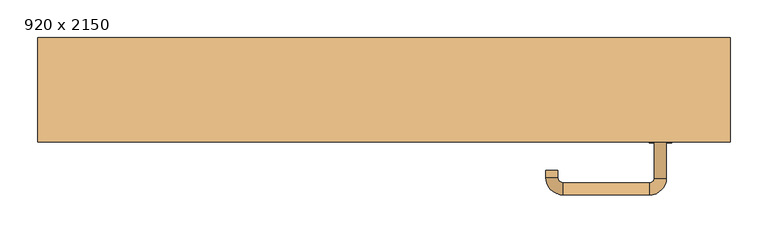
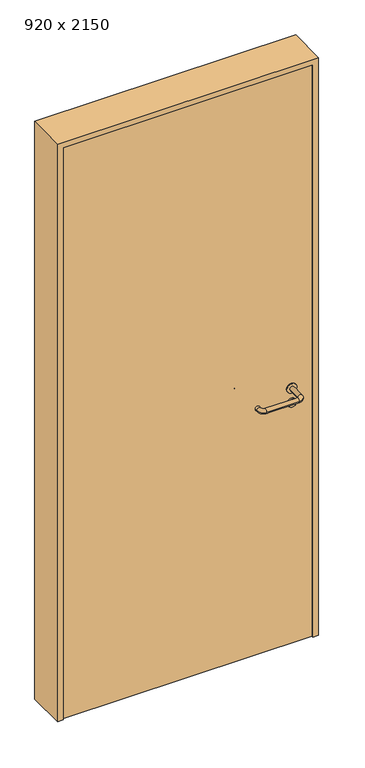
"""IFC4 building model written with IfcOpenShell, lengths in millimetres: door geometry, 920 x 2150."""

from ifc_helpers import new_model, si_unit, point, frame, frame_2d, origin, origin_with_axes, place, context, project, spatial, polyline, circle_curve, ellipse_curve, trimmed, segment, composite_curve, outline, extrude, source, transform, mapped, element, save
from ifc_brep_helpers import plane_surface, cylinder_surface, revolved_surface, advanced_brep


def door_920_x_2150_955b8561(model_context):
    return source(origin(), model_context, "Body", "SolidModel", [
        extrude(outline(composite_curve([segment(trimmed(circle_curve(frame_2d((897.3605726, 367.0)), 15.0), [point((897.3605726, 382.0))], [point((897.3605726, 352.0))], False, "CARTESIAN"), True, "CONTINUOUS"), segment(trimmed(circle_curve(frame_2d((897.3605726, 367.0)), 15.0), [point((897.3605726, 352.0))], [point((897.3605726, 382.0))], False, "CARTESIAN"), True, "CONTINUOUS")], self_intersect=False), holes=[composite_curve([segment(trimmed(circle_curve(frame_2d((892.5833211, 366.9398032)), 2.0), [point((892.5833211, 368.9398032))], [point((892.5833211, 364.9398032))], True, "CARTESIAN"), True, "CONTINUOUS"), segment(polyline([(892.5833211, 364.9398032), (902.5833211, 364.9398032)]), True, "CONTINUOUS"), segment(trimmed(circle_curve(frame_2d((902.5833211, 366.9398032)), 2.0), [point((902.5833211, 364.9398032))], [point((902.5833211, 368.9398032))], True, "CARTESIAN"), True, "CONTINUOUS"), segment(polyline([(902.5833211, 368.9398032), (892.5833211, 368.9398032)]), True, "CONTINUOUS")], self_intersect=False)]), frame((0.0, -35.0, 0.0), z_axis=(0.0, 1.0, 0.0), x_axis=(0.0, 0.0, 1.0)), (0.0, 0.0, 1.0), 6.35),
        extrude(outline(composite_curve([segment(trimmed(circle_curve(frame_2d((950.0, 367.0)), 17.526), [point((950.0, 384.526))], [point((950.0, 349.474))], False, "CARTESIAN"), True, "CONTINUOUS"), segment(trimmed(circle_curve(frame_2d((950.0, 367.0)), 17.526), [point((950.0, 349.474))], [point((950.0, 384.526))], False, "CARTESIAN"), True, "CONTINUOUS")], self_intersect=False)), frame((0.0, -35.0, 0.0), z_axis=(0.0, 1.0, 0.0), x_axis=(0.0, 0.0, 1.0)), (0.0, 0.0, 1.0), 3.175),
        advanced_brep(
        [(375.0, -35.0, 950.0), (359.0, -35.0, 950.0), (375.0, 18.0, 950.0), (359.0, 18.0, 950.0), (352.8578644, 24.1421356, 950.0), (352.8578644, 40.1421356, 950.0), (237.8578644, 40.1421356, 950.0), (237.8578644, 24.1421356, 950.0), (231.008622, 17.2928932, 950.0), (215.008622, 17.2928932, 950.0), (215.008622, 7.2928932, 950.0), (231.008622, 7.2928932, 950.0)],
        [
            (0, 1, circle_curve(frame((367.0, -35.0, 950.0), z_axis=(0.0, -1.0, 0.0), x_axis=(-1.0, 0.0, 0.0)), 8.0)),
            (1, 0, circle_curve(frame((367.0, -35.0, 950.0), z_axis=(0.0, -1.0, 0.0), x_axis=(-1.0, 0.0, 0.0)), 8.0)),
            (0, 2),
            (2, 3, circle_curve(frame((367.0, 18.0, 950.0), z_axis=(0.0, -1.0, 0.0), x_axis=(-1.0, 0.0, 0.0)), 8.0)),
            (3, 1),
            (3, 2, circle_curve(frame((367.0, 18.0, 950.0), z_axis=(0.0, -1.0, 0.0), x_axis=(-1.0, 0.0, 0.0)), 8.0)),
            (4, 3, circle_curve(frame((352.8578644, 18.0, 950.0), z_axis=(0.0, 0.0, -1.0), x_axis=(1.0, 0.0, 0.0)), 6.1421356)),
            (2, 5, circle_curve(frame((352.8578644, 18.0, 950.0), z_axis=(0.0, 0.0, 1.0), x_axis=(1.0, 0.0, 0.0)), 22.1421356)),
            (5, 4, circle_curve(frame((352.8578644, 32.1421356, 950.0), z_axis=(1.0, 0.0, 0.0), x_axis=(0.0, -1.0, 0.0)), 8.0)),
            (4, 5, circle_curve(frame((352.8578644, 32.1421356, 950.0), z_axis=(1.0, 0.0, 0.0), x_axis=(0.0, -1.0, 0.0)), 8.0)),
            (5, 6),
            (6, 7, circle_curve(frame((237.8578644, 32.1421356, 950.0), z_axis=(1.0, 0.0, 0.0), x_axis=(0.0, -1.0, 0.0)), 8.0)),
            (7, 4),
            (7, 6, circle_curve(frame((237.8578644, 32.1421356, 950.0), z_axis=(1.0, 0.0, 0.0), x_axis=(0.0, -1.0, 0.0)), 8.0)),
            (8, 7, circle_curve(frame((237.8578644, 17.2928932, 950.0), z_axis=(0.0, 0.0, -1.0), x_axis=(0.0, 1.0, 0.0)), 6.8492424)),
            (6, 9, circle_curve(frame((237.8578644, 17.2928932, 950.0), z_axis=(0.0, 0.0, 1.0), x_axis=(0.0, 1.0, 0.0)), 22.8492424)),
            (9, 8, circle_curve(frame((223.008622, 17.2928932, 950.0), z_axis=(0.0, 1.0, 0.0), x_axis=(1.0, 0.0, 0.0)), 8.0)),
            (8, 9, circle_curve(frame((223.008622, 17.2928932, 950.0), z_axis=(0.0, 1.0, 0.0), x_axis=(1.0, 0.0, 0.0)), 8.0)),
            (10, 11, circle_curve(frame((223.008622, 7.2928932, 950.0), z_axis=(0.0, -1.0, 0.0), x_axis=(1.0, 0.0, 0.0)), 8.0)),
            (11, 10, circle_curve(frame((223.008622, 7.2928932, 950.0), z_axis=(0.0, -1.0, 0.0), x_axis=(1.0, 0.0, 0.0)), 8.0)),
            (9, 10),
            (11, 8),
        ],
        [
            plane_surface(frame((367.0, -35.0, 0.0), z_axis=(0.0, -1.0, 0.0), x_axis=(0.0, 0.0, 1.0))),
            cylinder_surface(frame((367.0, -35.0, 950.0), z_axis=(0.0, -1.0, 0.0), x_axis=(-1.0, 0.0, 0.0)), 8.0),
            revolved_surface(trimmed(ellipse_curve(frame((367.0, 18.0, 950.0), z_axis=(0.0, -1.0, 0.0), x_axis=(-1.0, 0.0, 0.0)), 8.0, 8.0), [point((375.0, 18.0, 950.0))], [point((359.0, 18.0, 950.0))], True, "CARTESIAN"), (352.8578644, 18.0, 0.0), (0.0, 0.0, 1.0)),
            revolved_surface(trimmed(ellipse_curve(frame((367.0, 18.0, 950.0), z_axis=(0.0, -1.0, 0.0), x_axis=(-1.0, 0.0, 0.0)), 8.0, 8.0), [point((359.0, 18.0, 950.0))], [point((375.0, 18.0, 950.0))], True, "CARTESIAN"), (352.8578644, 18.0, 0.0), (0.0, 0.0, 1.0)),
            cylinder_surface(frame((352.8578644, 32.1421356, 950.0), z_axis=(1.0, 0.0, 0.0), x_axis=(0.0, -1.0, 0.0)), 8.0),
            revolved_surface(trimmed(ellipse_curve(frame((237.8578644, 32.1421356, 950.0), z_axis=(1.0, 0.0, 0.0), x_axis=(0.0, -1.0, 0.0)), 8.0, 8.0), [point((237.8578644, 40.1421356, 950.0))], [point((237.8578644, 24.1421356, 950.0))], True, "CARTESIAN"), (237.8578644, 17.2928932, 0.0), (0.0, 0.0, 1.0)),
            revolved_surface(trimmed(ellipse_curve(frame((237.8578644, 32.1421356, 950.0), z_axis=(1.0, 0.0, 0.0), x_axis=(0.0, -1.0, 0.0)), 8.0, 8.0), [point((237.8578644, 24.1421356, 950.0))], [point((237.8578644, 40.1421356, 950.0))], True, "CARTESIAN"), (237.8578644, 17.2928932, 0.0), (0.0, 0.0, 1.0)),
            plane_surface(frame((223.008622, 7.2928932, 0.0), z_axis=(0.0, -1.0, 0.0), x_axis=(0.0, 0.0, 1.0))),
            cylinder_surface(frame((223.008622, 17.2928932, 950.0), z_axis=(0.0, 1.0, 0.0), x_axis=(1.0, 0.0, 0.0)), 8.0),
        ],
        [
            (0, [[1, 2]]),
            (1, [[-1, 3, 4, 5]]),
            (1, [[-2, -5, 6, -3]]),
            (2, [[7, -4, 8, 9]]),
            (3, [[-8, -6, -7, 10]]),
            (4, [[-9, 11, 12, 13]]),
            (4, [[-10, -13, 14, -11]]),
            (5, [[15, -12, 16, 17]]),
            (6, [[-16, -14, -15, 18]]),
            (7, [[19, 20]]),
            (8, [[-17, 21, -20, 22]]),
            (8, [[-18, -22, -19, -21]]),
        ],
    ),
        extrude(outline(composite_curve([segment(trimmed(circle_curve(frame_2d((0.0, 15.0)), 15.0), [point((0.0, 30.0))], [point((0.0, 0.0))], False, "CARTESIAN"), True, "CONTINUOUS"), segment(trimmed(circle_curve(frame_2d((0.0, 15.0)), 15.0), [point((0.0, 0.0))], [point((0.0, 30.0))], False, "CARTESIAN"), True, "CONTINUOUS")], self_intersect=False), holes=[composite_curve([segment(trimmed(circle_curve(frame_2d((-4.7772515, 14.9398032)), 2.0), [point((-4.7772515, 16.9398032))], [point((-4.7772515, 12.9398032))], True, "CARTESIAN"), True, "CONTINUOUS"), segment(polyline([(-4.7772515, 12.9398032), (5.2227485, 12.9398032)]), True, "CONTINUOUS"), segment(trimmed(circle_curve(frame_2d((5.2227485, 14.9398032)), 2.0), [point((5.2227485, 12.9398032))], [point((5.2227485, 16.9398032))], True, "CARTESIAN"), True, "CONTINUOUS"), segment(polyline([(5.2227485, 16.9398032), (-4.7772515, 16.9398032)]), True, "CONTINUOUS")], self_intersect=False)]), frame((352.0, -71.35, 897.3605726), z_axis=(-1.8870575173328306e-12, 1.0, 0.0), x_axis=(0.0, 0.0, 1.0)), (0.0, 0.0, 1.0), 6.35),
        extrude(outline(composite_curve([segment(trimmed(circle_curve(frame_2d((0.0, 17.526)), 17.526), [point((0.0, 35.052))], [point((0.0, 0.0))], False, "CARTESIAN"), True, "CONTINUOUS"), segment(trimmed(circle_curve(frame_2d((0.0, 17.526)), 17.526), [point((0.0, 0.0))], [point((0.0, 35.052))], False, "CARTESIAN"), True, "CONTINUOUS")], self_intersect=False)), frame((349.474, -68.175, 950.0), z_axis=(-1.8870575173328306e-12, 1.0, 0.0), x_axis=(0.0, 0.0, 1.0)), (0.0, 0.0, 1.0), 3.175),
        advanced_brep(
        [(375.0, -65.0, 950.0), (359.0, -65.0, 950.0), (359.0, -118.0, 950.0), (375.0, -118.0, 950.0), (352.8578644, -124.1421356, 950.0), (352.8578644, -140.1421356, 950.0), (237.8578644, -124.1421356, 950.0), (237.8578644, -140.1421356, 950.0), (231.008622, -117.2928932, 950.0), (215.008622, -117.2928932, 950.0), (215.008622, -107.2928932, 950.0), (231.008622, -107.2928932, 950.0)],
        [
            (0, 1, circle_curve(frame((367.0, -65.0, 950.0), z_axis=(-1.888672253512351e-12, 1.0, 0.0), x_axis=(-1.0, -1.888672253512351e-12, 0.0)), 8.0)),
            (1, 0, circle_curve(frame((367.0, -65.0, 950.0), z_axis=(-1.888672253512351e-12, 1.0, 0.0), x_axis=(-1.0, -1.888672253512351e-12, 0.0)), 8.0)),
            (1, 2),
            (2, 3, circle_curve(frame((367.0, -118.0, 950.0), z_axis=(-1.888672253512351e-12, 1.0, 0.0), x_axis=(-1.0, -1.888672253512351e-12, 0.0)), 8.0)),
            (3, 0),
            (3, 2, circle_curve(frame((367.0, -118.0, 950.0), z_axis=(-1.888672253512351e-12, 1.0, 0.0), x_axis=(-1.0, -1.888672253512351e-12, 0.0)), 8.0)),
            (4, 5, circle_curve(frame((352.8578644, -132.1421356, 950.0), z_axis=(1.0, 1.913702061528922e-12, 0.0), x_axis=(-1.913702061528922e-12, 1.0, 0.0)), 8.0)),
            (5, 3, circle_curve(frame((352.8578644, -118.0, 950.0), z_axis=(0.0, 0.0, 1.0), x_axis=(1.0, 1.880717803715015e-12, 0.0)), 22.1421356)),
            (2, 4, circle_curve(frame((352.8578644, -118.0, 950.0), z_axis=(0.0, 0.0, -1.0), x_axis=(1.0, 1.880717803715015e-12, 0.0)), 6.1421356)),
            (5, 4, circle_curve(frame((352.8578644, -132.1421356, 950.0), z_axis=(1.0, 1.913702061528922e-12, 0.0), x_axis=(-1.913702061528922e-12, 1.0, 0.0)), 8.0)),
            (4, 6),
            (6, 7, circle_curve(frame((237.8578644, -132.1421356, 950.0), z_axis=(1.0, 1.913719828541269e-12, 0.0), x_axis=(-1.913719828541269e-12, 1.0, 0.0)), 8.0)),
            (7, 5),
            (7, 6, circle_curve(frame((237.8578644, -132.1421356, 950.0), z_axis=(1.0, 1.913719828541269e-12, 0.0), x_axis=(-1.913719828541269e-12, 1.0, 0.0)), 8.0)),
            (8, 9, circle_curve(frame((223.008622, -117.2928932, 950.0), z_axis=(1.8888942981172756e-12, -1.0, 0.0), x_axis=(1.0, 1.8888942981172756e-12, 0.0)), 8.0)),
            (9, 7, circle_curve(frame((237.8578644, -117.2928932, 950.0), z_axis=(0.0, 0.0, 1.0), x_axis=(1.9120873253494017e-12, -1.0, 0.0)), 22.8492424)),
            (6, 8, circle_curve(frame((237.8578644, -117.2928932, 950.0), z_axis=(0.0, 0.0, -1.0), x_axis=(1.9120873253494017e-12, -1.0, 0.0)), 6.8492424)),
            (9, 8, circle_curve(frame((223.008622, -117.2928932, 950.0), z_axis=(1.890448610351751e-12, -1.0, 0.0), x_axis=(1.0, 1.890448610351751e-12, 0.0)), 8.0)),
            (10, 11, circle_curve(frame((223.008622, -107.2928932, 950.0), z_axis=(-1.8903642334018795e-12, 1.0, 0.0), x_axis=(1.0, 1.8903642334018795e-12, 0.0)), 8.0)),
            (11, 10, circle_curve(frame((223.008622, -107.2928932, 950.0), z_axis=(-1.8903642334018795e-12, 1.0, 0.0), x_axis=(1.0, 1.8903642334018795e-12, 0.0)), 8.0)),
            (8, 11),
            (10, 9),
        ],
        [
            plane_surface(frame((367.0, -65.0, 0.0), z_axis=(-1.8870575173328306e-12, 1.0, 0.0), x_axis=(0.0, 0.0, 1.0))),
            cylinder_surface(frame((367.0, -65.0, 950.0), z_axis=(-1.888672253512351e-12, 1.0, 0.0), x_axis=(-1.0, -1.888672253512351e-12, 0.0)), 8.0),
            revolved_surface(trimmed(ellipse_curve(frame((367.0, -118.0, 950.0), z_axis=(1.8823325398945356e-12, -1.0, 0.0), x_axis=(-1.0, -1.8823325398945356e-12, 0.0)), 8.0, 8.0), [point((375.0, -118.0, 950.0))], [point((359.0, -118.0, 950.0))], True, "CARTESIAN"), (352.8578644, -118.0, 0.0), (0.0, 0.0, 1.0)),
            revolved_surface(trimmed(ellipse_curve(frame((367.0, -118.0, 950.0), z_axis=(1.8823325398945356e-12, -1.0, 0.0), x_axis=(-1.0, -1.8823325398945356e-12, 0.0)), 8.0, 8.0), [point((359.0, -118.0, 950.0))], [point((375.0, -118.0, 950.0))], True, "CARTESIAN"), (352.8578644, -118.0, 0.0), (0.0, 0.0, 1.0)),
            cylinder_surface(frame((352.8578644, -132.1421356, 950.0), z_axis=(1.0, 1.913719828541269e-12, 0.0), x_axis=(-1.913719828541269e-12, 1.0, 0.0)), 8.0),
            revolved_surface(trimmed(ellipse_curve(frame((237.8578644, -132.1421356, 950.0), z_axis=(-1.0, -1.913702061528922e-12, 0.0), x_axis=(-1.913702061528922e-12, 1.0, 0.0)), 8.0, 8.0), [point((237.8578644, -140.1421356, 950.0))], [point((237.8578644, -124.1421356, 950.0))], True, "CARTESIAN"), (237.8578644, -117.2928932, 0.0), (0.0, 0.0, 1.0)),
            revolved_surface(trimmed(ellipse_curve(frame((237.8578644, -132.1421356, 950.0), z_axis=(-1.0, -1.913702061528922e-12, 0.0), x_axis=(-1.913702061528922e-12, 1.0, 0.0)), 8.0, 8.0), [point((237.8578644, -124.1421356, 950.0))], [point((237.8578644, -140.1421356, 950.0))], True, "CARTESIAN"), (237.8578644, -117.2928932, 0.0), (0.0, 0.0, 1.0)),
            plane_surface(frame((223.008622, -107.2928932, 0.0), z_axis=(-1.8887494972223595e-12, 1.0, 0.0), x_axis=(0.0, 0.0, 1.0))),
            cylinder_surface(frame((223.008622, -117.2928932, 950.0), z_axis=(1.8903642334018795e-12, -1.0, 0.0), x_axis=(1.0, 1.8903642334018795e-12, 0.0)), 8.0),
        ],
        [
            (0, [[1, 2]]),
            (1, [[3, 4, 5, -2]]),
            (1, [[-5, 6, -3, -1]]),
            (2, [[7, 8, -4, 9]]),
            (3, [[10, -9, -6, -8]]),
            (4, [[11, 12, 13, -7]]),
            (4, [[-13, 14, -11, -10]]),
            (5, [[15, 16, -12, 17]]),
            (6, [[18, -17, -14, -16]]),
            (7, [[19, 20]]),
            (8, [[21, -19, 22, -15]]),
            (8, [[-22, -20, -21, -18]]),
        ],
    ),
        extrude(outline(polyline([(2130.0, 440.0), (0.0, 440.0), (0.0, 460.0), (2150.0, 460.0), (2150.0, -460.0), (0.0, -460.0), (0.0, -440.0), (2130.0, -440.0), (2130.0, 440.0)])), frame((0.0, -70.0, 0.0), z_axis=(0.0, 1.0, 0.0), x_axis=(0.0, 0.0, 1.0)), (0.0, 0.0, 1.0), 139.0),
        extrude(outline(polyline([(-440.0, -65.0), (-440.0, -35.0), (440.0, -35.0), (440.0, -65.0), (-440.0, -65.0)])), origin_with_axes(), (0.0, 0.0, 1.0), 2130.0),
    ])


if __name__ == "__main__":
    model = new_model("IFC4")
    model_context = context("Model", 3, world=origin())
    ifc_project = project(units=[si_unit("LENGTHUNIT", "METRE", prefix="MILLI")], contexts=[model_context])
    site = spatial("IfcSite", under=ifc_project)
    building = spatial("IfcBuilding", under=site)
    placement = place(None, origin())
    door_920_x_2150_shape = door_920_x_2150_955b8561(model_context)
    element("IfcDoor", 1, ObjectType="920 x 2150", at=placement, inside=building, context=model_context, shape_type="MappedRepresentation", body=[
        mapped(door_920_x_2150_shape, transform((0.0, 0.0, 0.0), x_axis=(1.0, 0.0, 0.0), y_axis=(0.0, 1.0, 0.0), z_axis=(0.0, 0.0, 1.0))),
    ])
    save(model, "model.ifc")
